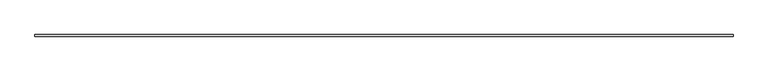
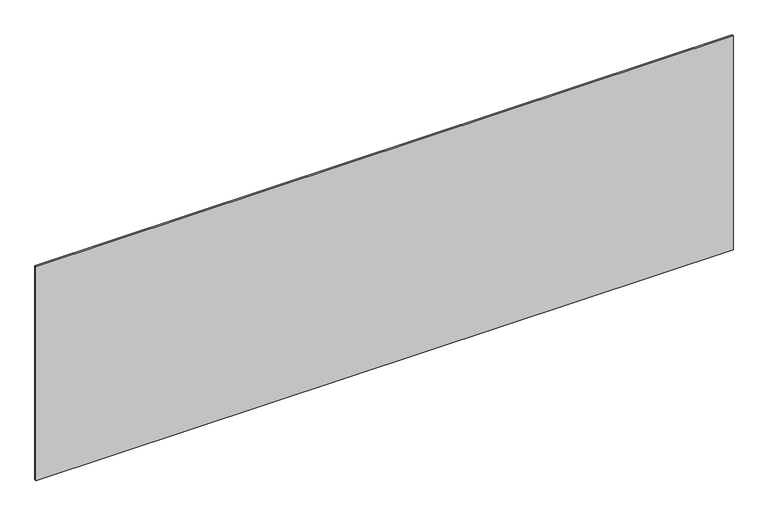
"""IFC4 building model written with IfcOpenShell, lengths in millimetres: plate geometry."""

import ifcopenshell
import ifcopenshell.guid

model = None  # the IFC model being written
_history = None  # IfcOwnerHistory: only IFC2X3 demands one
_inside = {}  # id of a spatial element -> (the spatial element, [elements in it])
_under = {}  # id of a project, library or spatial element -> (it, [spatial elements below it])
_declared = {}  # id of a project -> (the project, [libraries it declares])
_typed = {}  # id of a type object -> (the type object, [elements of that type])
_made_of = {}  # id of a material, layer set ... -> (it, [elements and type objects made of it])


def new_model(schema):
    """Start an empty IFC model of exactly this schema.

    Asked for "IFC4X3", IfcOpenShell would pick the latest addendum, in which some entities
    have other attributes; the version numbers below select the first issue.
    IFC2X3 requires an IfcOwnerHistory on every rooted entity: one is made here for all.
    """
    global model, _history
    if schema == "IFC4X3":
        model = ifcopenshell.file(schema_version=(4, 3, 0, 0))
    else:
        model = ifcopenshell.file(schema=schema)
    _inside.clear()
    _under.clear()
    _declared.clear()
    _typed.clear()
    _made_of.clear()
    _history = None
    if model.schema == "IFC2X3":
        org = make("IfcOrganization", Name="unknown")
        user = make(
            "IfcPersonAndOrganization",
            ThePerson=make("IfcPerson", FamilyName="unknown"),
            TheOrganization=org,
        )
        app = make(
            "IfcApplication",
            ApplicationDeveloper=org,
            Version="unknown",
            ApplicationFullName="unknown",
            ApplicationIdentifier="unknown",
        )
        _history = make(
            "IfcOwnerHistory",
            OwningUser=user,
            OwningApplication=app,
            ChangeAction="ADDED",
            CreationDate=0,
        )
    return model


def make(cls, **values):
    """One entity of the class cls with the attributes given. An attribute that is None is left unset."""
    return model.create_entity(
        cls, **{name: value for name, value in values.items() if value is not None}
    )


def rooted(cls, **values):
    """An entity with a GlobalId (a new one), such as an element, a storey or a relation."""
    return make(cls, GlobalId=ifcopenshell.guid.new(), OwnerHistory=_history, **values)


def si_unit(unit_type, name, prefix=None):
    """IfcSIUnit, for example si_unit("LENGTHUNIT", "METRE", prefix="MILLI")."""
    return make("IfcSIUnit", UnitType=unit_type, Prefix=prefix, Name=name)


def assignment(units):
    """IfcUnitAssignment: the units of a project."""
    return None if units is None else make("IfcUnitAssignment", Units=units)


def point(xyz):
    """IfcCartesianPoint."""
    return None if xyz is None else make("IfcCartesianPoint", Coordinates=xyz)


def direction(xyz):
    """IfcDirection."""
    return None if xyz is None else make("IfcDirection", DirectionRatios=xyz)


def frame(location, z_axis=None, x_axis=None):
    """IfcAxis2Placement3D, a coordinate frame: its origin and axes. An axis left out is left unset."""
    return make(
        "IfcAxis2Placement3D",
        Location=point(location),
        Axis=direction(z_axis),
        RefDirection=direction(x_axis),
    )


def origin():
    """The frame at (0, 0, 0) with its axes left unset."""
    return frame((0.0, 0.0, 0.0))


def origin_with_axes():
    """The frame at (0, 0, 0) with the z axis (0, 0, 1) and the x axis (1, 0, 0) written out."""
    return frame((0.0, 0.0, 0.0), z_axis=(0.0, 0.0, 1.0), x_axis=(1.0, 0.0, 0.0))


def place(relative_to, where):
    """IfcLocalPlacement: puts the frame where relative to a parent placement (None: the world)."""
    return make(
        "IfcLocalPlacement", PlacementRelTo=relative_to, RelativePlacement=where
    )


def context(
    kind, dimensions, precision=None, world=None, true_north=None, identifier=None
):
    """IfcGeometricRepresentationContext, for example the 3D "Model" context."""
    return make(
        "IfcGeometricRepresentationContext",
        ContextIdentifier=identifier,
        ContextType=kind,
        CoordinateSpaceDimension=dimensions,
        Precision=precision,
        WorldCoordinateSystem=world,
        TrueNorth=true_north,
    )


def project(units=None, contexts=None):
    """IfcProject with its units and contexts."""
    return rooted(
        "IfcProject",
        Name="project",
        RepresentationContexts=contexts,
        UnitsInContext=assignment(units),
    )


def spatial(cls, under=None, at=None, **own):
    """A site, building, storey or space (cls), placed at a placement, below another one or the project."""
    s = rooted(cls, ObjectPlacement=at, **own)
    if under is not None:
        _under.setdefault(under.id(), (under, []))[1].append(s)
    return s


def polyline(points):
    """IfcPolyline through the points."""
    return make("IfcPolyline", Points=[point(p) for p in points])


def outline(outer, holes=None, kind="AREA"):
    """IfcArbitraryClosedProfileDef: a profile drawn as a closed curve; with holes, ...WithVoids."""
    if holes is None:
        return make("IfcArbitraryClosedProfileDef", ProfileType=kind, OuterCurve=outer)
    return make(
        "IfcArbitraryProfileDefWithVoids",
        ProfileType=kind,
        OuterCurve=outer,
        InnerCurves=holes,
    )


def extrude(swept, where, along, depth):
    """IfcExtrudedAreaSolid: the profile swept, set in the frame where, extruded along a direction by depth."""
    return make(
        "IfcExtrudedAreaSolid",
        SweptArea=swept,
        Position=where,
        ExtrudedDirection=direction(along),
        Depth=depth,
    )


def shape(context_of_items, identifier, shape_type, items):
    """IfcShapeRepresentation: the items that make up one representation, for example the "Body"."""
    return make(
        "IfcShapeRepresentation",
        ContextOfItems=context_of_items,
        RepresentationIdentifier=identifier,
        RepresentationType=shape_type,
        Items=items,
    )


def source(mapping_origin, context_of_items, identifier, shape_type, items):
    """IfcRepresentationMap: a shape defined once, which mapped items show again and again."""
    return make(
        "IfcRepresentationMap",
        MappingOrigin=mapping_origin,
        MappedRepresentation=shape(context_of_items, identifier, shape_type, items),
    )


def transform(
    local_origin,
    x_axis=None,
    y_axis=None,
    z_axis=None,
    scale=None,
    scale2=None,
    scale3=None,
    uniform=True,
):
    """IfcCartesianTransformationOperator3D, or its non-uniform kind. x_axis, y_axis, z_axis: its Axis1, 2, 3."""
    if uniform:
        return make(
            "IfcCartesianTransformationOperator3D",
            Axis1=direction(x_axis),
            Axis2=direction(y_axis),
            LocalOrigin=point(local_origin),
            Scale=scale,
            Axis3=direction(z_axis),
        )
    return make(
        "IfcCartesianTransformationOperator3DnonUniform",
        Axis1=direction(x_axis),
        Axis2=direction(y_axis),
        LocalOrigin=point(local_origin),
        Scale=scale,
        Axis3=direction(z_axis),
        Scale2=scale2,
        Scale3=scale3,
    )


def mapped(mapping_source, mapping_target):
    """IfcMappedItem: shows the shape of a source again, moved by a transform."""
    return make(
        "IfcMappedItem", MappingSource=mapping_source, MappingTarget=mapping_target
    )


def made_of(thing, what):
    """Note that an element or type object is made of a material, layer set ...; save() writes the relation."""
    if what is not None:
        _made_of.setdefault(what.id(), (what, []))[1].append(thing)
    return thing


def element(
    cls,
    number,
    at=None,
    inside=None,
    cuts=None,
    type_object=None,
    material=None,
    context=None,
    identifier="Body",
    shape_type=None,
    held_by="IfcProductDefinitionShape",
    body=None,
    shapes=None,
    **own,
):
    """One element of the class cls, such as IfcWall. Its Tag is "e" and its number.

    at: its placement. inside: the storey or other place that contains it. cuts: it is an
    opening in that element (IfcRelVoidsElement). A single representation is given by context,
    identifier, shape_type and body (its items); several are given by shapes. held_by: the class
    of the entity that holds the representations. save() writes the other relations.
    """
    e = rooted(cls, Tag="e%d" % number, ObjectPlacement=at, **own)
    if body is not None:
        shapes = [shape(context, identifier, shape_type, body)]
    if shapes is not None:
        e.Representation = make(held_by, Representations=shapes)
    if inside is not None:
        _inside.setdefault(inside.id(), (inside, []))[1].append(e)
    if cuts is not None:
        rooted(
            "IfcRelVoidsElement", RelatingBuildingElement=cuts, RelatedOpeningElement=e
        )
    if type_object is not None:
        _typed.setdefault(type_object.id(), (type_object, []))[1].append(e)
    return made_of(e, material)


def aggregate(whole, parts):
    """IfcRelAggregates: a whole, such as a stair, and the parts it consists of."""
    return rooted("IfcRelAggregates", RelatingObject=whole, RelatedObjects=parts)


def save(model, path):
    """Write the relations noted so far, then the file.

    IfcRelAggregates (storeys below a building ...), IfcRelContainedInSpatialStructure (elements
    in a storey), IfcRelDefinesByType, IfcRelAssociatesMaterial and IfcRelDeclares: one each for
    every whole, place, type object, material and project.
    """
    for whole, parts in _under.values():
        aggregate(whole, parts)
    for where, things in _inside.values():
        rooted(
            "IfcRelContainedInSpatialStructure",
            RelatedElements=things,
            RelatingStructure=where,
        )
    for kind, things in _typed.values():
        rooted("IfcRelDefinesByType", RelatedObjects=things, RelatingType=kind)
    for what, things in _made_of.values():
        rooted("IfcRelAssociatesMaterial", RelatedObjects=things, RelatingMaterial=what)
    for by, libraries in _declared.values():
        rooted("IfcRelDeclares", RelatingContext=by, RelatedDefinitions=libraries)
    model.write(path)


def plate_e49a6182(model_context):
    return source(origin(), model_context, "Body", "SweptSolid", [
        extrude(outline(polyline([(2189.1666667, -5.0), (-2189.1666667, -5.0), (-2189.1666667, 5.0), (2189.1666667, 5.0), (2189.1666667, -5.0)])), origin_with_axes(), (0.0, 0.0, 1.0), 1421.2365011),
    ])


if __name__ == "__main__":
    model = new_model("IFC4")
    model_context = context("Model", 3, world=origin())
    ifc_project = project(units=[si_unit("LENGTHUNIT", "METRE", prefix="MILLI")], contexts=[model_context])
    site = spatial("IfcSite", under=ifc_project)
    building = spatial("IfcBuilding", under=site)
    placement = place(None, origin())
    plate_shape = plate_e49a6182(model_context)
    element("IfcPlate", 1, at=placement, inside=building, context=model_context, shape_type="MappedRepresentation", body=[
        mapped(plate_shape, transform((0.0, 0.0, 0.0), x_axis=(1.0, 0.0, 0.0), y_axis=(0.0, 1.0, 0.0), z_axis=(0.0, 0.0, 1.0))),
    ])
    save(model, "model.ifc")
